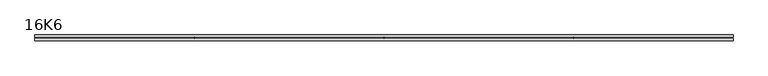
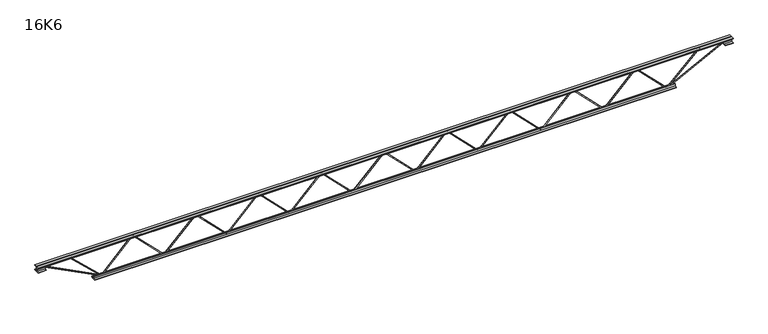
"""IFC4 building model written with IfcOpenShell, lengths in millimetres: beam geometry, 16K6."""

import ifcopenshell
import ifcopenshell.guid

model = None  # the IFC model being written
_history = None  # IfcOwnerHistory: only IFC2X3 demands one
_inside = {}  # id of a spatial element -> (the spatial element, [elements in it])
_under = {}  # id of a project, library or spatial element -> (it, [spatial elements below it])
_declared = {}  # id of a project -> (the project, [libraries it declares])
_typed = {}  # id of a type object -> (the type object, [elements of that type])
_made_of = {}  # id of a material, layer set ... -> (it, [elements and type objects made of it])


def new_model(schema):
    """Start an empty IFC model of exactly this schema.

    Asked for "IFC4X3", IfcOpenShell would pick the latest addendum, in which some entities
    have other attributes; the version numbers below select the first issue.
    IFC2X3 requires an IfcOwnerHistory on every rooted entity: one is made here for all.
    """
    global model, _history
    if schema == "IFC4X3":
        model = ifcopenshell.file(schema_version=(4, 3, 0, 0))
    else:
        model = ifcopenshell.file(schema=schema)
    _inside.clear()
    _under.clear()
    _declared.clear()
    _typed.clear()
    _made_of.clear()
    _history = None
    if model.schema == "IFC2X3":
        org = make("IfcOrganization", Name="unknown")
        user = make(
            "IfcPersonAndOrganization",
            ThePerson=make("IfcPerson", FamilyName="unknown"),
            TheOrganization=org,
        )
        app = make(
            "IfcApplication",
            ApplicationDeveloper=org,
            Version="unknown",
            ApplicationFullName="unknown",
            ApplicationIdentifier="unknown",
        )
        _history = make(
            "IfcOwnerHistory",
            OwningUser=user,
            OwningApplication=app,
            ChangeAction="ADDED",
            CreationDate=0,
        )
    return model


def make(cls, **values):
    """One entity of the class cls with the attributes given. An attribute that is None is left unset."""
    return model.create_entity(
        cls, **{name: value for name, value in values.items() if value is not None}
    )


def rooted(cls, **values):
    """An entity with a GlobalId (a new one), such as an element, a storey or a relation."""
    return make(cls, GlobalId=ifcopenshell.guid.new(), OwnerHistory=_history, **values)


def si_unit(unit_type, name, prefix=None):
    """IfcSIUnit, for example si_unit("LENGTHUNIT", "METRE", prefix="MILLI")."""
    return make("IfcSIUnit", UnitType=unit_type, Prefix=prefix, Name=name)


def assignment(units):
    """IfcUnitAssignment: the units of a project."""
    return None if units is None else make("IfcUnitAssignment", Units=units)


def point(xyz):
    """IfcCartesianPoint."""
    return None if xyz is None else make("IfcCartesianPoint", Coordinates=xyz)


def direction(xyz):
    """IfcDirection."""
    return None if xyz is None else make("IfcDirection", DirectionRatios=xyz)


def frame(location, z_axis=None, x_axis=None):
    """IfcAxis2Placement3D, a coordinate frame: its origin and axes. An axis left out is left unset."""
    return make(
        "IfcAxis2Placement3D",
        Location=point(location),
        Axis=direction(z_axis),
        RefDirection=direction(x_axis),
    )


def origin():
    """The frame at (0, 0, 0) with its axes left unset."""
    return frame((0.0, 0.0, 0.0))


def place(relative_to, where):
    """IfcLocalPlacement: puts the frame where relative to a parent placement (None: the world)."""
    return make(
        "IfcLocalPlacement", PlacementRelTo=relative_to, RelativePlacement=where
    )


def context(
    kind, dimensions, precision=None, world=None, true_north=None, identifier=None
):
    """IfcGeometricRepresentationContext, for example the 3D "Model" context."""
    return make(
        "IfcGeometricRepresentationContext",
        ContextIdentifier=identifier,
        ContextType=kind,
        CoordinateSpaceDimension=dimensions,
        Precision=precision,
        WorldCoordinateSystem=world,
        TrueNorth=true_north,
    )


def project(units=None, contexts=None):
    """IfcProject with its units and contexts."""
    return rooted(
        "IfcProject",
        Name="project",
        RepresentationContexts=contexts,
        UnitsInContext=assignment(units),
    )


def spatial(cls, under=None, at=None, **own):
    """A site, building, storey or space (cls), placed at a placement, below another one or the project."""
    s = rooted(cls, ObjectPlacement=at, **own)
    if under is not None:
        _under.setdefault(under.id(), (under, []))[1].append(s)
    return s


def polyline(points):
    """IfcPolyline through the points."""
    return make("IfcPolyline", Points=[point(p) for p in points])


def outline(outer, holes=None, kind="AREA"):
    """IfcArbitraryClosedProfileDef: a profile drawn as a closed curve; with holes, ...WithVoids."""
    if holes is None:
        return make("IfcArbitraryClosedProfileDef", ProfileType=kind, OuterCurve=outer)
    return make(
        "IfcArbitraryProfileDefWithVoids",
        ProfileType=kind,
        OuterCurve=outer,
        InnerCurves=holes,
    )


def extrude(swept, where, along, depth):
    """IfcExtrudedAreaSolid: the profile swept, set in the frame where, extruded along a direction by depth."""
    return make(
        "IfcExtrudedAreaSolid",
        SweptArea=swept,
        Position=where,
        ExtrudedDirection=direction(along),
        Depth=depth,
    )


def shape(context_of_items, identifier, shape_type, items):
    """IfcShapeRepresentation: the items that make up one representation, for example the "Body"."""
    return make(
        "IfcShapeRepresentation",
        ContextOfItems=context_of_items,
        RepresentationIdentifier=identifier,
        RepresentationType=shape_type,
        Items=items,
    )


def source(mapping_origin, context_of_items, identifier, shape_type, items):
    """IfcRepresentationMap: a shape defined once, which mapped items show again and again."""
    return make(
        "IfcRepresentationMap",
        MappingOrigin=mapping_origin,
        MappedRepresentation=shape(context_of_items, identifier, shape_type, items),
    )


def transform(
    local_origin,
    x_axis=None,
    y_axis=None,
    z_axis=None,
    scale=None,
    scale2=None,
    scale3=None,
    uniform=True,
):
    """IfcCartesianTransformationOperator3D, or its non-uniform kind. x_axis, y_axis, z_axis: its Axis1, 2, 3."""
    if uniform:
        return make(
            "IfcCartesianTransformationOperator3D",
            Axis1=direction(x_axis),
            Axis2=direction(y_axis),
            LocalOrigin=point(local_origin),
            Scale=scale,
            Axis3=direction(z_axis),
        )
    return make(
        "IfcCartesianTransformationOperator3DnonUniform",
        Axis1=direction(x_axis),
        Axis2=direction(y_axis),
        LocalOrigin=point(local_origin),
        Scale=scale,
        Axis3=direction(z_axis),
        Scale2=scale2,
        Scale3=scale3,
    )


def mapped(mapping_source, mapping_target):
    """IfcMappedItem: shows the shape of a source again, moved by a transform."""
    return make(
        "IfcMappedItem", MappingSource=mapping_source, MappingTarget=mapping_target
    )


def made_of(thing, what):
    """Note that an element or type object is made of a material, layer set ...; save() writes the relation."""
    if what is not None:
        _made_of.setdefault(what.id(), (what, []))[1].append(thing)
    return thing


def element(
    cls,
    number,
    at=None,
    inside=None,
    cuts=None,
    type_object=None,
    material=None,
    context=None,
    identifier="Body",
    shape_type=None,
    held_by="IfcProductDefinitionShape",
    body=None,
    shapes=None,
    **own,
):
    """One element of the class cls, such as IfcWall. Its Tag is "e" and its number.

    at: its placement. inside: the storey or other place that contains it. cuts: it is an
    opening in that element (IfcRelVoidsElement). A single representation is given by context,
    identifier, shape_type and body (its items); several are given by shapes. held_by: the class
    of the entity that holds the representations. save() writes the other relations.
    """
    e = rooted(cls, Tag="e%d" % number, ObjectPlacement=at, **own)
    if body is not None:
        shapes = [shape(context, identifier, shape_type, body)]
    if shapes is not None:
        e.Representation = make(held_by, Representations=shapes)
    if inside is not None:
        _inside.setdefault(inside.id(), (inside, []))[1].append(e)
    if cuts is not None:
        rooted(
            "IfcRelVoidsElement", RelatingBuildingElement=cuts, RelatedOpeningElement=e
        )
    if type_object is not None:
        _typed.setdefault(type_object.id(), (type_object, []))[1].append(e)
    return made_of(e, material)


def aggregate(whole, parts):
    """IfcRelAggregates: a whole, such as a stair, and the parts it consists of."""
    return rooted("IfcRelAggregates", RelatingObject=whole, RelatedObjects=parts)


def save(model, path):
    """Write the relations noted so far, then the file.

    IfcRelAggregates (storeys below a building ...), IfcRelContainedInSpatialStructure (elements
    in a storey), IfcRelDefinesByType, IfcRelAssociatesMaterial and IfcRelDeclares: one each for
    every whole, place, type object, material and project.
    """
    for whole, parts in _under.values():
        aggregate(whole, parts)
    for where, things in _inside.values():
        rooted(
            "IfcRelContainedInSpatialStructure",
            RelatedElements=things,
            RelatingStructure=where,
        )
    for kind, things in _typed.values():
        rooted("IfcRelDefinesByType", RelatedObjects=things, RelatingType=kind)
    for what, things in _made_of.values():
        rooted("IfcRelAssociatesMaterial", RelatedObjects=things, RelatingMaterial=what)
    for by, libraries in _declared.values():
        rooted("IfcRelDeclares", RelatingContext=by, RelatedDefinitions=libraries)
    model.write(path)


def beam_16k6_90b2e5b2(model_context):
    return source(origin(), model_context, "Body", "SweptSolid", [
        extrude(outline(polyline([(-191.9, 1976.6666667), (-201.4, 1976.6666667), (-201.4, 1981.8245524), (191.9, 2370.8078857), (191.9, 2373.1921143), (-201.4, 2762.1754476), (-201.4, 2767.3333333), (-191.9, 2767.3333333), (-191.9, 2766.1412191), (201.4, 2377.1578857), (201.4, 2366.8421143), (-191.9, 1977.8587809), (-191.9, 1976.6666667)])), frame((0.0, -4.75, 0.0), z_axis=(0.0, 1.0, 0.0), x_axis=(0.0, 0.0, 1.0)), (0.0, 0.0, 1.0), 9.5),
        extrude(outline(polyline([(-191.9, 1186.0), (-201.4, 1186.0), (-201.4, 1191.1578857), (191.9, 1580.1412191), (191.9, 1582.5254476), (-201.4, 1971.5087809), (-201.4, 1976.6666667), (-191.9, 1976.6666667), (-191.9, 1975.4745524), (201.4, 1586.4912191), (201.4, 1576.1754476), (-191.9, 1187.1921143), (-191.9, 1186.0)])), frame((0.0, -4.75, 0.0), z_axis=(0.0, 1.0, 0.0), x_axis=(0.0, 0.0, 1.0)), (0.0, 0.0, 1.0), 9.5),
        extrude(outline(polyline([(-191.9, 395.3333333), (-201.4, 395.3333333), (-201.4, 400.4912191), (191.9, 789.4745524), (191.9, 791.8587809), (-201.4, 1180.8421143), (-201.4, 1186.0), (-191.9, 1186.0), (-191.9, 1184.8078857), (201.4, 795.8245524), (201.4, 785.5087809), (-191.9, 396.5254476), (-191.9, 395.3333333)])), frame((0.0, -4.75, 0.0), z_axis=(0.0, 1.0, 0.0), x_axis=(0.0, 0.0, 1.0)), (0.0, 0.0, 1.0), 9.5),
        extrude(outline(polyline([(-191.9, -395.3333333), (-201.4, -395.3333333), (-201.4, -390.1754476), (191.9, -1.1921143), (191.9, 1.1921143), (-201.4, 390.1754476), (-201.4, 395.3333333), (-191.9, 395.3333333), (-191.9, 394.1412191), (201.4, 5.1578857), (201.4, -5.1578857), (-191.9, -394.1412191), (-191.9, -395.3333333)])), frame((0.0, -4.75, 0.0), z_axis=(0.0, 1.0, 0.0), x_axis=(0.0, 0.0, 1.0)), (0.0, 0.0, 1.0), 9.5),
        extrude(outline(polyline([(-191.9, -1186.0), (-201.4, -1186.0), (-201.4, -1180.8421143), (191.9, -791.8587809), (191.9, -789.4745524), (-201.4, -400.4912191), (-201.4, -395.3333333), (-191.9, -395.3333333), (-191.9, -396.5254476), (201.4, -785.5087809), (201.4, -795.8245524), (-191.9, -1184.8078857), (-191.9, -1186.0)])), frame((0.0, -4.75, 0.0), z_axis=(0.0, 1.0, 0.0), x_axis=(0.0, 0.0, 1.0)), (0.0, 0.0, 1.0), 9.5),
        extrude(outline(polyline([(-191.9, -1976.6666667), (-201.4, -1976.6666667), (-201.4, -1971.5087809), (191.9, -1582.5254476), (191.9, -1580.1412191), (-201.4, -1191.1578857), (-201.4, -1186.0), (-191.9, -1186.0), (-191.9, -1187.1921143), (201.4, -1576.1754476), (201.4, -1586.4912191), (-191.9, -1975.4745524), (-191.9, -1976.6666667)])), frame((0.0, -4.75, 0.0), z_axis=(0.0, 1.0, 0.0), x_axis=(0.0, 0.0, 1.0)), (0.0, 0.0, 1.0), 9.5),
        extrude(outline(polyline([(-191.9, -2767.3333333), (-201.4, -2767.3333333), (-201.4, -2762.1754476), (191.9, -2373.1921143), (191.9, -2370.8078857), (-201.4, -1981.8245524), (-201.4, -1976.6666667), (-191.9, -1976.6666667), (-191.9, -1977.8587809), (201.4, -2366.8421143), (201.4, -2377.1578857), (-191.9, -2766.1412191), (-191.9, -2767.3333333)])), frame((0.0, -4.75, 0.0), z_axis=(0.0, 1.0, 0.0), x_axis=(0.0, 0.0, 1.0)), (0.0, 0.0, 1.0), 9.5),
        extrude(outline(polyline([(-191.9, 2767.3333333), (-201.4, 2767.3333333), (-201.4, 2772.4912191), (191.9, 3161.4745524), (191.9, 3163.8587809), (-201.4, 3552.8421143), (-201.4, 3558.0), (-191.9, 3558.0), (-191.9, 3556.8078857), (201.4, 3167.8245524), (201.4, 3157.5087809), (-191.9, 2768.5254476), (-191.9, 2767.3333333)])), frame((0.0, -4.75, 0.0), z_axis=(0.0, 1.0, 0.0), x_axis=(0.0, 0.0, 1.0)), (0.0, 0.0, 1.0), 9.5),
        extrude(outline(polyline([(-191.9, -3558.0), (-201.4, -3558.0), (-201.4, -3552.8421143), (191.9, -3163.8587809), (191.9, -3161.4745524), (-201.4, -2772.4912191), (-201.4, -2767.3333333), (-191.9, -2767.3333333), (-191.9, -2768.5254476), (201.4, -3157.5087809), (201.4, -3167.8245524), (-191.9, -3556.8078857), (-191.9, -3558.0)])), frame((0.0, -4.75, 0.0), z_axis=(0.0, 1.0, 0.0), x_axis=(0.0, 0.0, 1.0)), (0.0, 0.0, 1.0), 9.5),
        extrude(outline(polyline([(4.75, 203.0), (36.75, 203.0), (36.75, 196.5), (11.25, 196.5), (11.25, 171.0), (4.75, 171.0), (4.75, 203.0)])), frame((-4370.0, 0.0, 0.0), z_axis=(1.0, 0.0, 0.0), x_axis=(0.0, 1.0, 0.0)), (0.0, 0.0, 1.0), 8740.0),
        extrude(outline(polyline([(-4.75, 203.0), (-4.75, 171.0), (-11.25, 171.0), (-11.25, 196.5), (-36.75, 196.5), (-36.75, 203.0), (-4.75, 203.0)])), frame((-4370.0, 0.0, 0.0), z_axis=(1.0, 0.0, 0.0), x_axis=(0.0, 1.0, 0.0)), (0.0, 0.0, 1.0), 8740.0),
        extrude(outline(polyline([(-4.75, 139.5), (-36.75, 139.5), (-36.75, 146.0), (-11.25, 146.0), (-11.25, 171.0), (-4.75, 171.0), (-4.75, 139.5)])), frame((-4370.0, 0.0, 0.0), z_axis=(1.0, 0.0, 0.0), x_axis=(0.0, 1.0, 0.0)), (0.0, 0.0, 1.0), 100.0),
        extrude(outline(polyline([(36.75, 139.5), (4.75, 139.5), (4.75, 171.0), (11.25, 171.0), (11.25, 146.0), (36.75, 146.0), (36.75, 139.5)])), frame((-4370.0, 0.0, 0.0), z_axis=(1.0, 0.0, 0.0), x_axis=(0.0, 1.0, 0.0)), (0.0, 0.0, 1.0), 100.0),
        extrude(outline(polyline([(4.75, 139.5), (4.75, 171.0), (11.25, 171.0), (11.25, 146.0), (36.75, 146.0), (36.75, 139.5), (4.75, 139.5)])), frame((4270.0, 0.0, 0.0), z_axis=(1.0, 0.0, 0.0), x_axis=(0.0, 1.0, 0.0)), (0.0, 0.0, 1.0), 100.0),
        extrude(outline(polyline([(-4.75, 139.5), (-36.75, 139.5), (-36.75, 146.0), (-11.25, 146.0), (-11.25, 171.0), (-4.75, 171.0), (-4.75, 139.5)])), frame((4270.0, 0.0, 0.0), z_axis=(1.0, 0.0, 0.0), x_axis=(0.0, 1.0, 0.0)), (0.0, 0.0, 1.0), 100.0),
        extrude(outline(polyline([(4.75, -203.0), (4.75, -171.0), (11.25, -171.0), (11.25, -196.5), (36.75, -196.5), (36.75, -203.0), (4.75, -203.0)])), frame((-3658.0, 0.0, 0.0), z_axis=(1.0, 0.0, 0.0), x_axis=(0.0, 1.0, 0.0)), (0.0, 0.0, 1.0), 7316.0),
        extrude(outline(polyline([(-4.75, -203.0), (-36.75, -203.0), (-36.75, -196.5), (-11.25, -196.5), (-11.25, -171.0), (-4.75, -171.0), (-4.75, -203.0)])), frame((-3658.0, 0.0, 0.0), z_axis=(1.0, 0.0, 0.0), x_axis=(0.0, 1.0, 0.0)), (0.0, 0.0, 1.0), 7316.0),
        extrude(outline(polyline([(-200.8705467, -3560.1793315), (-192.4294533, -3555.8206685), (175.75, -4268.8460208), (175.75, -4370.0), (166.25, -4370.0), (166.25, -4271.1539792), (-200.8705467, -3560.1793315)])), frame((0.0, -4.75, 0.0), z_axis=(0.0, 1.0, 0.0), x_axis=(0.0, 0.0, 1.0)), (0.0, 0.0, 1.0), 9.5),
        extrude(outline(polyline([(188.7, -3973.2904762), (179.2, -3973.2904762), (179.2, -3962.4803307), (-200.1017043, -3561.2631637), (-193.1982957, -3554.7368363), (188.7, -3958.7006217), (188.7, -3973.2904762)])), frame((0.0, -4.75, 0.0), z_axis=(0.0, 1.0, 0.0), x_axis=(0.0, 0.0, 1.0)), (0.0, 0.0, 1.0), 9.5),
        extrude(outline(polyline([(0.0, -9.5), (0.0, 0.0), (801.3179909, 0.0), (801.3179909, -9.5), (0.0, -9.5)])), frame((4272.1793315, -4.75, 166.7794533), z_axis=(-0.45880662132449607, 0.0, 0.8885361468329809), x_axis=(-0.8885361468329809, 0.0, -0.45880662132449607)), (0.0, 0.0, 1.0), 9.5),
        extrude(outline(polyline([(0.0, -9.5), (0.0, 0.0), (568.0316548, 0.0), (568.0316548, -9.5), (0.0, -9.5)])), frame((3971.1364763, -4.75, 193.2227681), z_axis=(-0.6923909903371618, 0.0, 0.7215224989561478), x_axis=(-0.7215224989561478, 0.0, -0.6923909903371618)), (0.0, 0.0, 1.0), 9.5),
    ])


if __name__ == "__main__":
    model = new_model("IFC4")
    model_context = context("Model", 3, world=origin())
    ifc_project = project(units=[si_unit("LENGTHUNIT", "METRE", prefix="MILLI")], contexts=[model_context])
    site = spatial("IfcSite", under=ifc_project)
    building = spatial("IfcBuilding", under=site)
    placement = place(None, origin())
    beam_16k6_shape = beam_16k6_90b2e5b2(model_context)
    element("IfcBeam", 1, ObjectType="16K6", at=placement, inside=building, context=model_context, shape_type="MappedRepresentation", body=[
        mapped(beam_16k6_shape, transform((0.0, 0.0, 0.0), x_axis=(1.0, 0.0, 0.0), y_axis=(0.0, 1.0, 0.0), z_axis=(0.0, 0.0, 1.0))),
    ])
    save(model, "model.ifc")
